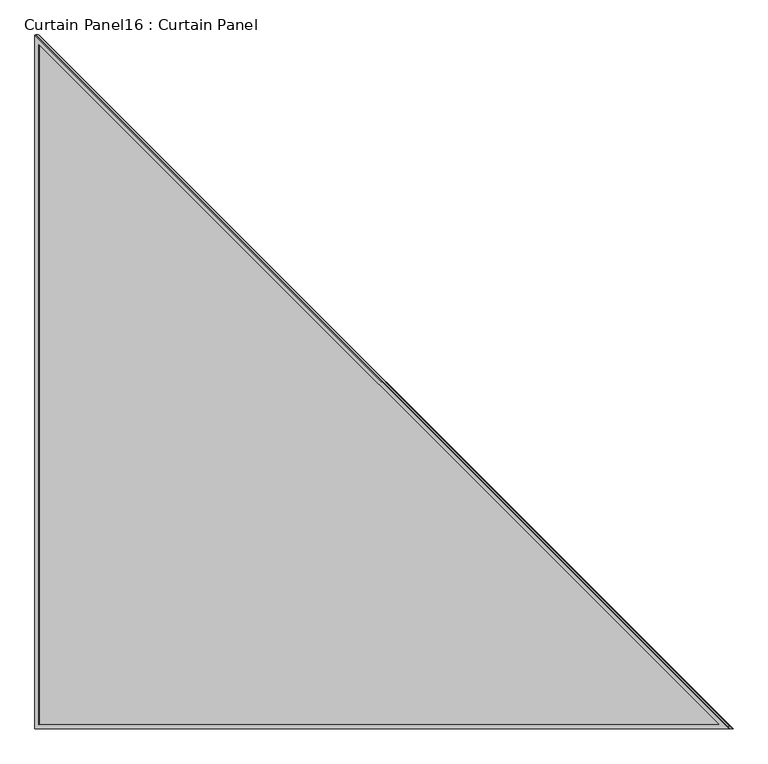
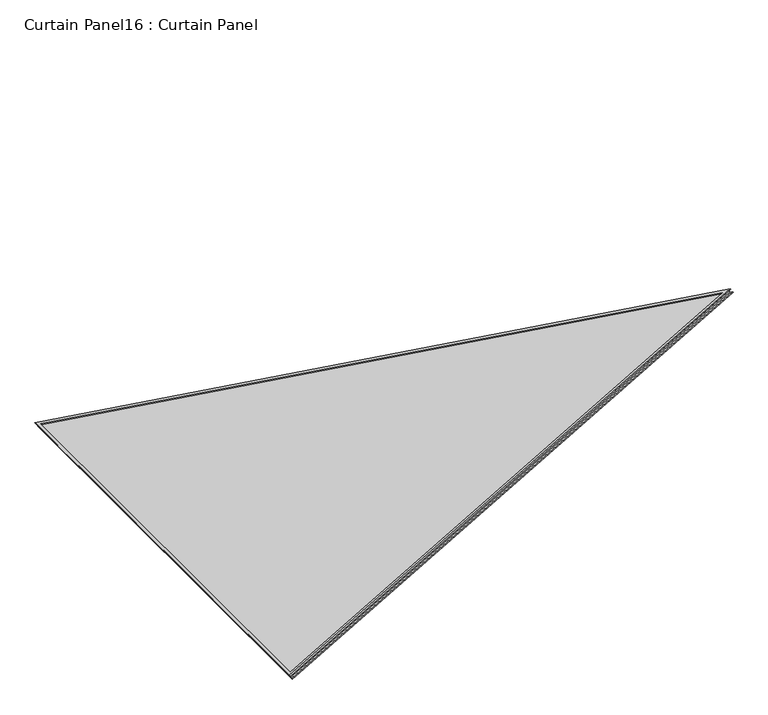
"""IFC4 building model written with IfcOpenShell, lengths in millimetres: plate geometry, Curtain Panel16 : Curtain Panel."""

from ifc_helpers import new_model, si_unit, frame, origin, place, context, project, spatial, polyline, outline, extrude, source, transform, mapped, element, save


def curtain_panel16_curtain_panel_cf4ec973(model_context):
    return source(origin(), model_context, "Body", "SweptSolid", [
        extrude(outline(polyline([(2038.6261682, 0.0), (2038.6261682, -1765.5020505), (0.0, 0.0), (2038.6261682, 0.0)]), holes=[polyline([(2027.5136682, -11.1125), (29.8062338, -11.1125), (2027.5136682, -1741.1778875), (2027.5136682, -11.1125)])]), frame((11686.6643697, 14404.9153927, 1007.9823205), z_axis=(-0.4999999999999996, 0.0, 0.8660254037844388), x_axis=(-0.8660254037844388, 0.0, -0.4999999999999996)), (0.0, 0.0, 1.0), 4.5711484),
        extrude(outline(polyline([(2038.6261682, 0.0), (2038.6261682, -1765.5020505), (0.0, 0.0), (2038.6261682, 0.0)]), holes=[polyline([(2027.5136682, -11.1125), (29.8062338, -11.1125), (2027.5136682, -1741.1778875), (2027.5136682, -11.1125)])]), frame((11695.6227908, 14404.9153927, 992.46588), z_axis=(-0.49999999999999917, 0.0, 0.8660254037844392), x_axis=(-0.8660254037844392, 0.0, -0.49999999999999917)), (0.0, 0.0, 1.0), 4.9938887),
        extrude(outline(polyline([(12.7, 0.0), (1772.0660558, 0.0), (12.7, -2031.5409318), (12.7, 0.0)])), frame((9927.5736901, 14398.7279755, -22.6358371), z_axis=(-0.49999999999999867, 0.0, 0.8660254037844395), x_axis=(0.0, 1.0, 0.0)), (0.0, 0.0, 1.0), 12.9229535),
    ])


if __name__ == "__main__":
    model = new_model("IFC4")
    model_context = context("Model", 3, world=origin())
    ifc_project = project(units=[si_unit("LENGTHUNIT", "METRE", prefix="MILLI")], contexts=[model_context])
    site = spatial("IfcSite", under=ifc_project)
    building = spatial("IfcBuilding", under=site)
    placement = place(None, origin())
    curtain_panel16_curtain_panel_shape = curtain_panel16_curtain_panel_cf4ec973(model_context)
    element("IfcPlate", 1, ObjectType="Curtain Panel16 : Curtain Panel", at=placement, inside=building, context=model_context, shape_type="MappedRepresentation", body=[
        mapped(curtain_panel16_curtain_panel_shape, transform((0.0, 0.0, 0.0), x_axis=(1.0, 0.0, 0.0), y_axis=(0.0, 1.0, 0.0), z_axis=(0.0, 0.0, 1.0))),
    ])
    save(model, "model.ifc")
